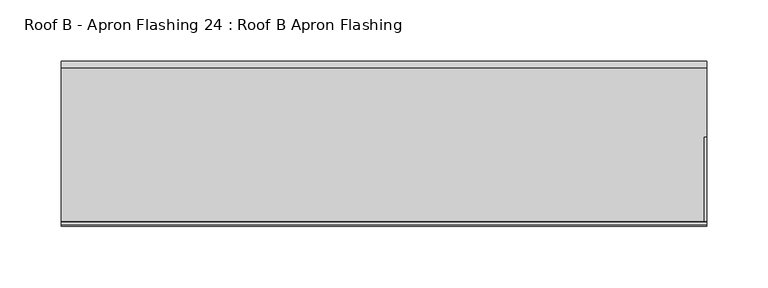
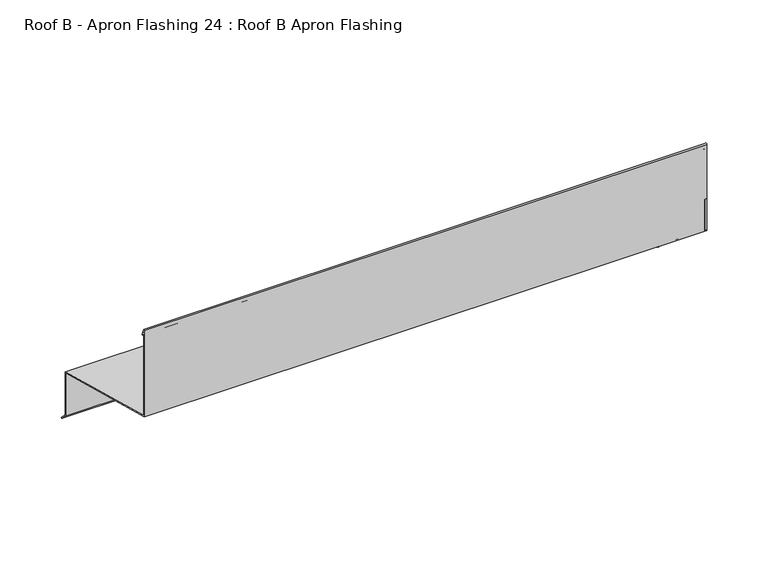
"""IFC4 building model written with IfcOpenShell, lengths in millimetres: proxy geometry, Roof B - Apron Flashing 24 : Roof B Apron Flashing."""

from ifc_helpers import new_model, si_unit, point, frame, frame_2d, origin, place, context, project, spatial, polyline, circle_curve, trimmed, segment, composite_curve, outline, extrude, source, transform, mapped, element, save


def roof_b_apron_flashing_24_roof_b_apron_flashing_80e76ffb(model_context):
    return source(origin(), model_context, "Body", "SweptSolid", [
        extrude(outline(polyline([(10673.2344915, -388.7215885), (10622.9865096, -375.2576823), (10622.9865096, -332.6364744), (10673.2344915, -346.1003806), (10673.2344915, -388.7215885)])), frame((17494.3541786, 0.0, 0.0), z_axis=(1.0, 0.0, 0.0), x_axis=(0.0, 1.0, 0.0)), (0.0, 0.0, 1.0), 2.0),
        extrude(outline(polyline([(10617.9865096, -330.2614523), (10544.8615096, -310.6676676), (10544.8615096, -279.7934577), (10617.9865096, -299.3872424), (10617.9865096, -330.2614523)])), frame((17494.3541786, 0.0, 0.0), z_axis=(1.0, 0.0, 0.0), x_axis=(0.0, 1.0, 0.0)), (0.0, 0.0, 1.0), 2.0),
        extrude(outline(composite_curve([segment(polyline([(10674.2344915, -345.3330536), (10674.2344915, -388.338713), (10680.2651268, -394.3693483), (10679.55802, -395.0764551), (10673.2344915, -388.7529266), (10673.2344915, -346.1003806), (10544.8615096, -311.7029438), (10544.8615096, -225.8538686)]), True, "CONTINUOUS"), segment(trimmed(circle_curve(frame_2d((10545.5405538, -225.8538686)), 0.6790442), [point((10544.8615096, -225.8538686))], [point((10546.1701526, -225.5994942))], False, "CARTESIAN"), True, "CONTINUOUS"), segment(polyline([(10546.1701526, -225.5994942), (10548.5846074, -231.5754797)]), True, "CONTINUOUS"), segment(trimmed(circle_curve(frame_2d((10548.1210155, -231.762783)), 0.5), [point((10548.5846074, -231.5754797))], [point((10547.6574236, -231.9500863))], False, "CARTESIAN"), True, "CONTINUOUS"), segment(polyline([(10547.6574236, -231.9500863), (10545.8615096, -227.5050431), (10545.8615096, -310.9356168), (10674.2344915, -345.3330536)]), True, "CONTINUOUS")], self_intersect=False)), frame((16967.4791786, 0.0, 0.0), z_axis=(1.0, 0.0, 0.0), x_axis=(0.0, 1.0, 0.0)), (0.0, 0.0, 1.0), 528.875),
    ])


if __name__ == "__main__":
    model = new_model("IFC4")
    model_context = context("Model", 3, world=origin())
    ifc_project = project(units=[si_unit("LENGTHUNIT", "METRE", prefix="MILLI")], contexts=[model_context])
    site = spatial("IfcSite", under=ifc_project)
    building = spatial("IfcBuilding", under=site)
    placement = place(None, origin())
    roof_b_apron_flashing_24_roof_b_apron_flashing_shape = roof_b_apron_flashing_24_roof_b_apron_flashing_80e76ffb(model_context)
    element("IfcBuildingElementProxy", 1, Name="Roof B - Apron Flashing 24 : Roof B Apron Flashing", ObjectType="Roof B - Apron Flashing 24 : Roof B Apron Flashing", at=placement, inside=building, context=model_context, shape_type="MappedRepresentation", body=[
        mapped(roof_b_apron_flashing_24_roof_b_apron_flashing_shape, transform((0.0, 0.0, 0.0), x_axis=(1.0, 0.0, 0.0), y_axis=(0.0, 1.0, 0.0), z_axis=(0.0, 0.0, 1.0))),
    ])
    save(model, "model.ifc")
